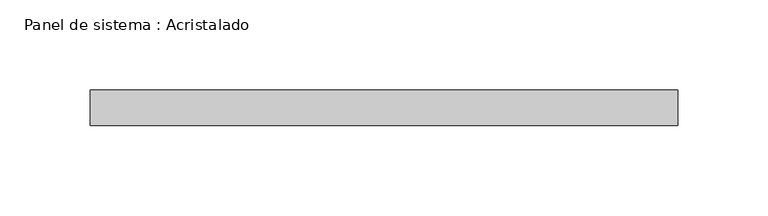
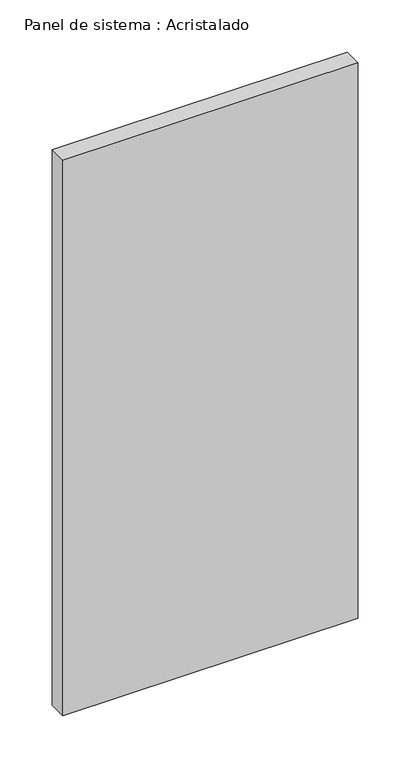
"""IFC4 building model written with IfcOpenShell, lengths in millimetres: plate geometry, Panel de sistema : Acristalado."""

from ifc_helpers import new_model, si_unit, origin, origin_with_axes, place, context, project, spatial, polyline, outline, extrude, source, transform, mapped, element, save


def panel_de_sistema_acristalado_d2f546e4(model_context):
    return source(origin(), model_context, "Body", "SweptSolid", [
        extrude(outline(polyline([(163.3333333, -10.0), (-163.3333333, -10.0), (-163.3333333, 10.0), (163.3333333, 10.0), (163.3333333, -10.0)])), origin_with_axes(), (0.0, 0.0, 1.0), 650.0),
    ])


if __name__ == "__main__":
    model = new_model("IFC4")
    model_context = context("Model", 3, world=origin())
    ifc_project = project(units=[si_unit("LENGTHUNIT", "METRE", prefix="MILLI")], contexts=[model_context])
    site = spatial("IfcSite", under=ifc_project)
    building = spatial("IfcBuilding", under=site)
    placement = place(None, origin())
    panel_de_sistema_acristalado_shape = panel_de_sistema_acristalado_d2f546e4(model_context)
    element("IfcPlate", 1, ObjectType="Panel de sistema : Acristalado", at=placement, inside=building, context=model_context, shape_type="MappedRepresentation", body=[
        mapped(panel_de_sistema_acristalado_shape, transform((0.0, 0.0, 0.0), x_axis=(1.0, 0.0, 0.0), y_axis=(0.0, 1.0, 0.0), z_axis=(0.0, 0.0, 1.0))),
    ])
    save(model, "model.ifc")
